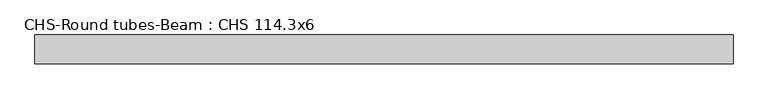
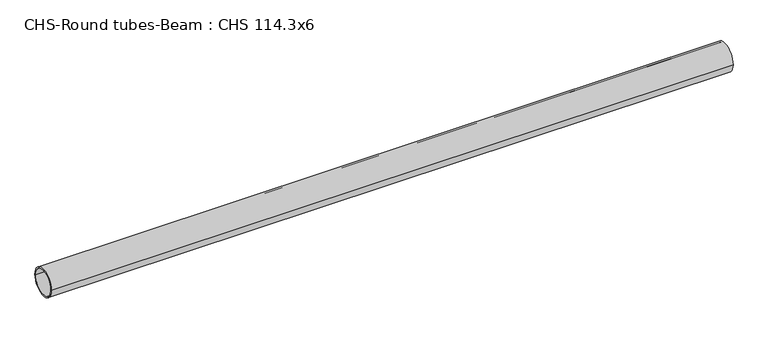
"""IFC4 building model written with IfcOpenShell, lengths in millimetres: beam geometry, CHS-Round tubes-Beam : CHS 114.3x6."""

from ifc_helpers import new_model, si_unit, point, frame, origin, origin_2d, place, context, project, spatial, circle_curve, trimmed, segment, composite_curve, outline, extrude, source, transform, mapped, element, save


def chs_round_tubes_beam_chs_114_3x6_ee9274eb(model_context):
    return source(origin(), model_context, "Body", "SweptSolid", [
        extrude(outline(composite_curve([segment(trimmed(circle_curve(origin_2d(), 57.15), [point((57.15, 0.0))], [point((-57.15, 0.0))], False, "CARTESIAN"), True, "CONTINUOUS"), segment(trimmed(circle_curve(origin_2d(), 57.15), [point((-57.15, 0.0))], [point((57.15, 0.0))], False, "CARTESIAN"), True, "CONTINUOUS")], self_intersect=False), holes=[composite_curve([segment(trimmed(circle_curve(origin_2d(), 51.15), [point((51.15, 0.0))], [point((-51.15, 0.0))], True, "CARTESIAN"), True, "CONTINUOUS"), segment(trimmed(circle_curve(origin_2d(), 51.15), [point((-51.15, 0.0))], [point((51.15, 0.0))], True, "CARTESIAN"), True, "CONTINUOUS")], self_intersect=False)]), frame((-1332.9735207, 0.0, 0.0), z_axis=(1.0, 0.0, 0.0), x_axis=(0.0, 1.0, 0.0)), (0.0, 0.0, 1.0), 2746.3673051),
    ])


if __name__ == "__main__":
    model = new_model("IFC4")
    model_context = context("Model", 3, world=origin())
    ifc_project = project(units=[si_unit("LENGTHUNIT", "METRE", prefix="MILLI")], contexts=[model_context])
    site = spatial("IfcSite", under=ifc_project)
    building = spatial("IfcBuilding", under=site)
    placement = place(None, origin())
    chs_round_tubes_beam_chs_114_3x6_shape = chs_round_tubes_beam_chs_114_3x6_ee9274eb(model_context)
    element("IfcBeam", 1, ObjectType="CHS-Round tubes-Beam : CHS 114.3x6", at=placement, inside=building, context=model_context, shape_type="MappedRepresentation", body=[
        mapped(chs_round_tubes_beam_chs_114_3x6_shape, transform((0.0, 0.0, 0.0), x_axis=(1.0, 0.0, 0.0), y_axis=(0.0, 1.0, 0.0), z_axis=(0.0, 0.0, 1.0))),
    ])
    save(model, "model.ifc")
